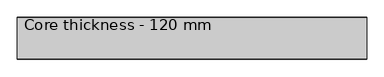
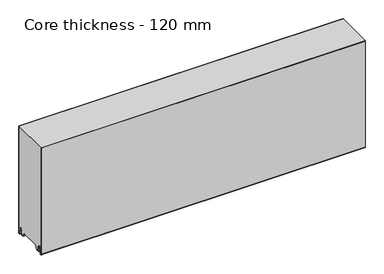
"""IFC4 building model written with IfcOpenShell, lengths in millimetres: plate geometry, Core thickness - 120 mm."""

from ifc_helpers import new_model, si_unit, frame, origin, place, context, project, spatial, polyline, circle_curve, source, transform, mapped, element, save
from ifc_brep_helpers import plane_surface, cylinder_surface, revolved_surface, advanced_brep


def core_thickness_120_mm_b401fb1e(model_context):
    return source(origin(), model_context, "Body", "AdvancedBrep", [
        advanced_brep(
        [(500.0000002, -119.9996949, 3.0900682), (500.0000002, -113.81449, 2.7875612), (500.0000002, -112.197116, 19.2828169), (500.0000002, -109.1776715, 21.9898782), (500.0000002, -106.1582271, 19.2828169), (500.0000002, -104.7725998, 5.1510966), (500.0000002, -100.3830995, 5.365779), (500.0000002, -101.1830995, 5.365779), (500.0000002, -103.9764178, 5.2291629), (500.0000002, -105.3620451, 19.3608832), (500.0000002, -109.1776715, 22.7899182), (500.0000002, -112.9932979, 19.3608832), (500.0000002, -114.6106719, 2.8656275), (500.0000002, -119.1996949, 3.0900682), (500.0000002, -119.2, 350.0), (500.0000002, -119.9996949, 350.0), (-500.0000002, -119.1996949, 3.0900682), (-500.0000002, -114.6106719, 2.8656275), (-500.0000002, -112.9932979, 19.3608832), (-500.0000002, -109.1776715, 22.7899182), (-500.0000002, -105.3620451, 19.3608832), (-500.0000002, -103.9764178, 5.2291629), (-500.0000002, -101.1830995, 5.365779), (-500.0000002, -100.3830995, 5.365779), (-500.0000002, -104.7725998, 5.1510966), (-500.0000002, -106.1582271, 19.2828169), (-500.0000002, -109.1776715, 21.9898782), (-500.0000002, -112.197116, 19.2828169), (-500.0000002, -113.81449, 2.7875612), (-500.0000002, -119.9996949, 3.0900682), (-500.0000002, -119.9996949, 350.0), (-500.0000002, -119.2, 350.0)],
        [
            (0, 1, circle_curve(frame((500.0000002, -116.8996949, 3.0900682), z_axis=(1.0, 0.0, 0.0), x_axis=(0.0, 0.0, -1.0)), 3.1)),
            (1, 2),
            (2, 3, circle_curve(frame((500.0000002, -109.2114338, 18.9900682), z_axis=(-1.0, 0.0, 0.0), x_axis=(0.0, 0.0, -1.0)), 3.0)),
            (3, 4, circle_curve(frame((500.0000002, -109.1439093, 18.9900682), z_axis=(-1.0, 0.0, 0.0), x_axis=(0.0, 0.0, -1.0)), 3.0)),
            (4, 5),
            (5, 6, circle_curve(frame((500.0000002, -102.5830995, 5.365779), z_axis=(1.0, 0.0, 0.0), x_axis=(0.0, 0.0, -1.0)), 2.2)),
            (6, 7),
            (7, 8, circle_curve(frame((500.0000002, -102.5830995, 5.365779), z_axis=(-1.0, 0.0, 0.0), x_axis=(0.0, 0.0, -1.0)), 1.4)),
            (8, 9),
            (9, 10, circle_curve(frame((500.0000002, -109.1439093, 18.9900682), z_axis=(1.0, 0.0, 0.0), x_axis=(0.0, 0.0, -1.0)), 3.8)),
            (10, 11, circle_curve(frame((500.0000002, -109.2114338, 18.9900682), z_axis=(1.0, 0.0, 0.0), x_axis=(0.0, 0.0, -1.0)), 3.8)),
            (11, 12),
            (12, 13, circle_curve(frame((500.0000002, -116.8996949, 3.0900682), z_axis=(-1.0, 0.0, 0.0), x_axis=(0.0, 0.0, -1.0)), 2.3)),
            (13, 14),
            (14, 15),
            (15, 0),
            (16, 17, circle_curve(frame((-500.0000002, -116.8996949, 3.0900682), z_axis=(1.0, 0.0, 0.0), x_axis=(0.0, 0.0, -1.0)), 2.3)),
            (17, 18),
            (18, 19, circle_curve(frame((-500.0000002, -109.2114338, 18.9900682), z_axis=(-1.0, 0.0, 0.0), x_axis=(0.0, 0.0, -1.0)), 3.8)),
            (19, 20, circle_curve(frame((-500.0000002, -109.1439093, 18.9900682), z_axis=(-1.0, 0.0, 0.0), x_axis=(0.0, 0.0, -1.0)), 3.8)),
            (20, 21),
            (21, 22, circle_curve(frame((-500.0000002, -102.5830995, 5.365779), z_axis=(1.0, 0.0, 0.0), x_axis=(0.0, 0.0, -1.0)), 1.4)),
            (22, 23),
            (23, 24, circle_curve(frame((-500.0000002, -102.5830995, 5.365779), z_axis=(-1.0, 0.0, 0.0), x_axis=(0.0, 0.0, -1.0)), 2.2)),
            (24, 25),
            (25, 26, circle_curve(frame((-500.0000002, -109.1439093, 18.9900682), z_axis=(1.0, 0.0, 0.0), x_axis=(0.0, 0.0, -1.0)), 3.0)),
            (26, 27, circle_curve(frame((-500.0000002, -109.2114338, 18.9900682), z_axis=(1.0, 0.0, 0.0), x_axis=(0.0, 0.0, -1.0)), 3.0)),
            (27, 28),
            (28, 29, circle_curve(frame((-500.0000002, -116.8996949, 3.0900682), z_axis=(-1.0, 0.0, 0.0), x_axis=(0.0, 0.0, -1.0)), 3.1)),
            (29, 30),
            (30, 31),
            (31, 16),
            (13, 16),
            (31, 14),
            (29, 0),
            (15, 30),
            (12, 17),
            (11, 18),
            (10, 19),
            (9, 20),
            (8, 21),
            (7, 22),
            (6, 23),
            (5, 24),
            (4, 25),
            (3, 26),
            (2, 27),
            (1, 28),
        ],
        [
            plane_surface(frame((500.0000002, -120.0, 0.0), z_axis=(1.0, 0.0, 0.0), x_axis=(0.0, 1.0, 0.0))),
            plane_surface(frame((-500.0000002, -120.0, 0.0), z_axis=(-1.0, 0.0, 0.0), x_axis=(0.0, 1.0, 0.0))),
            plane_surface(frame((500.0000002, -119.2, 3.0900682), z_axis=(0.0, 1.0, 0.0), x_axis=(-1.0, 0.0, 0.0))),
            plane_surface(frame((500.0000002, -119.9996949, 1143.9000005), z_axis=(0.0, -1.0, 0.0), x_axis=(-1.0, 0.0, 0.0))),
            revolved_surface(polyline([(-500.0000002, -116.8996949, 0.7900682000000003), (500.0000002, -116.8996949, 0.7900682000000003)]), (500.0000002, -116.8996949, 3.0900682), (-1.0, 0.0, 0.0)),
            plane_surface(frame((500.0000002, -112.9932979, 19.3608832), z_axis=(0.0, -0.9952273999818314, 0.09758289975914787), x_axis=(-1.0, 0.0, 0.0))),
            cylinder_surface(frame((500.0000002, -109.2114338, 18.9900682), z_axis=(1.0, 0.0, 0.0), x_axis=(0.0, 0.0, -1.0)), 3.8),
            cylinder_surface(frame((500.0000002, -109.1439093, 18.9900682), z_axis=(1.0, 0.0, 0.0), x_axis=(0.0, 0.0, -1.0)), 3.8),
            plane_surface(frame((500.0000002, -103.9764178, 5.2291629), z_axis=(0.0, 0.9952273999818297, 0.09758289975916531), x_axis=(-1.0, 0.0, 0.0))),
            revolved_surface(polyline([(-500.0000002, -102.5830995, 3.965779), (500.0000002, -102.5830995, 3.965779)]), (500.0000002, -102.5830995, 5.365779), (-1.0, 0.0, 0.0)),
            plane_surface(frame((500.0000002, -100.3830995, 5.365779), z_axis=(0.0, 0.0, 1.0), x_axis=(-1.0, 0.0, 0.0))),
            cylinder_surface(frame((500.0000002, -102.5830995, 5.365779), z_axis=(1.0, 0.0, 0.0), x_axis=(0.0, 0.0, -1.0)), 2.2),
            plane_surface(frame((500.0000002, -106.1582271, 19.2828169), z_axis=(0.0, -0.9952273999818296, -0.09758289975916527), x_axis=(-1.0, 0.0, 0.0))),
            revolved_surface(polyline([(-500.0000002, -109.1439093, 15.9900682), (500.0000002, -109.1439093, 15.9900682)]), (500.0000002, -109.1439093, 18.9900682), (-1.0, 0.0, 0.0)),
            revolved_surface(polyline([(-500.0000002, -109.2114338, 15.9900682), (500.0000002, -109.2114338, 15.9900682)]), (500.0000002, -109.2114338, 18.9900682), (-1.0, 0.0, 0.0)),
            plane_surface(frame((500.0000002, -113.81449, 2.7875612), z_axis=(0.0, 0.9952273999818314, -0.09758289975914787), x_axis=(-1.0, 0.0, 0.0))),
            cylinder_surface(frame((500.0000002, -116.8996949, 3.0900682), z_axis=(1.0, 0.0, 0.0), x_axis=(0.0, 0.0, -1.0)), 3.1),
            plane_surface(frame((-500.0000002, 134.0533409, 350.0), z_axis=(0.0, 0.0, 1.0), x_axis=(1.0, 0.0, 0.0))),
        ],
        [
            (0, [[1, 2, 3, 4, 5, 6, 7, 8, 9, 10, 11, 12, 13, 14, 15, 16]]),
            (1, [[17, 18, 19, 20, 21, 22, 23, 24, 25, 26, 27, 28, 29, 30, 31, 32]]),
            (2, [[33, -32, 34, -14]]),
            (3, [[35, -16, 36, -30]]),
            (4, [[-13, 37, -17, -33]]),
            (5, [[-12, 38, -18, -37]]),
            (6, [[-11, 39, -19, -38]]),
            (7, [[-10, 40, -20, -39]]),
            (8, [[-9, 41, -21, -40]]),
            (9, [[-8, 42, -22, -41]]),
            (10, [[-7, 43, -23, -42]]),
            (11, [[-6, 44, -24, -43]]),
            (12, [[-5, 45, -25, -44]]),
            (13, [[-4, 46, -26, -45]]),
            (14, [[-3, 47, -27, -46]]),
            (15, [[-2, 48, -28, -47]]),
            (16, [[-1, -35, -29, -48]]),
            (17, [[-15, -34, -31, -36]]),
        ],
    ),
        advanced_brep(
        [(500.0000002, -89.873448, 15.1417681), (500.0000002, -30.126552, 15.1417681), (500.0000002, -23.4071318, 3.165779), (500.0000002, -17.4169005, 3.165779), (500.0000002, -19.6169005, 5.365779), (500.0000002, -18.8169005, 5.365779), (500.0000002, -16.0235822, 5.2291629), (500.0000002, -14.6379549, 19.3608832), (500.0000002, -10.8223285, 22.7899182), (500.0000002, -7.0067021, 19.3608832), (500.0000002, -5.3893281, 2.8656275), (500.0000002, -1.0794848, 4.1883784), (500.0000002, -1.5003051, 5.8439114), (500.0000002, -1.5003051, 42.0511837), (500.0000002, -1.0971009, 43.4705951), (500.0000002, -0.8, 44.5229805), (500.0000002, -0.8, 94.6827637), (500.0000002, -1.0986697, 95.7341795), (500.0000002, -1.5003051, 97.1545605), (500.0000002, -1.5003051, 147.3143437), (500.0000002, -1.0971009, 148.7337551), (500.0000002, -0.8, 149.7861405), (500.0000002, -0.8, 199.9459237), (500.0000002, -1.0986697, 200.9973395), (500.0000002, -1.5003051, 202.4177205), (500.0000002, -1.5003051, 252.5775037), (500.0000002, -1.0971009, 253.9969151), (500.0000002, -0.8, 255.0493005), (500.0000002, -0.8, 305.2090837), (500.0000002, -1.0986697, 306.2604995), (500.0000002, -1.5003051, 307.6808805), (500.0000002, -1.5003051, 350.0), (500.0000002, -119.2, 350.0), (500.0000002, -119.2, 3.0900682), (500.0000002, -114.6106719, 2.8656275), (500.0000002, -112.9932979, 19.3608832), (500.0000002, -109.1776715, 22.7899182), (500.0000002, -105.3620451, 19.3608832), (500.0000002, -103.9764178, 5.2291629), (500.0000002, -101.1830995, 5.365779), (500.0000002, -100.3830995, 5.365779), (500.0000002, -102.5830995, 3.165779), (500.0000002, -96.5928682, 3.165779), (-500.0000002, -30.126552, 15.1417681), (-500.0000002, -89.873448, 15.1417681), (-500.0000002, -96.5928682, 3.165779), (-500.0000002, -102.5830995, 3.165779), (-500.0000002, -100.3830995, 5.365779), (-500.0000002, -101.1830995, 5.365779), (-500.0000002, -103.9764178, 5.2291629), (-500.0000002, -105.3620451, 19.3608832), (-500.0000002, -109.1776715, 22.7899182), (-500.0000002, -112.9932979, 19.3608832), (-500.0000002, -114.6106719, 2.8656275), (-500.0000002, -119.1996949, 3.0900682), (-500.0000002, -119.2, 350.0), (-500.0000002, -1.5003051, 350.0), (-500.0000002, -1.5003051, 307.6808805), (-500.0000002, -1.0971009, 306.2614691), (-500.0000002, -0.8, 305.2090837), (-500.0000002, -0.8, 255.0493005), (-500.0000002, -1.0986697, 253.9978846), (-500.0000002, -1.5003051, 252.5775037), (-500.0000002, -1.5003051, 202.4177205), (-500.0000002, -1.0971009, 200.9983091), (-500.0000002, -0.8, 199.9459237), (-500.0000002, -0.8, 149.7861405), (-500.0000002, -1.0986697, 148.7347246), (-500.0000002, -1.5003051, 147.3143437), (-500.0000002, -1.5003051, 97.1545605), (-500.0000002, -1.0971009, 95.7351491), (-500.0000002, -0.8, 94.6827637), (-500.0000002, -0.8, 44.5229805), (-500.0000002, -1.0986697, 43.4715646), (-500.0000002, -1.5003051, 42.0511837), (-500.0000002, -1.5003051, 5.8439114), (-500.0000002, -1.0794848, 4.1883784), (-500.0000002, -5.3893281, 2.8656275), (-500.0000002, -7.0067021, 19.3608832), (-500.0000002, -10.8223285, 22.7899182), (-500.0000002, -14.6379549, 19.3608832), (-500.0000002, -16.0235822, 5.2291629), (-500.0000002, -18.8169005, 5.365779), (-500.0000002, -19.6169005, 5.365779), (-500.0000002, -17.4169005, 3.165779), (-500.0000002, -23.4071318, 3.165779)],
        [
            (0, 1),
            (1, 2),
            (2, 3),
            (3, 4, circle_curve(frame((500.0000002, -17.4169005, 5.365779), z_axis=(-1.0, 0.0, 0.0), x_axis=(0.0, 0.0, -1.0)), 2.2)),
            (4, 5),
            (5, 6, circle_curve(frame((500.0000002, -17.4169005, 5.365779), z_axis=(1.0, 0.0, 0.0), x_axis=(0.0, 0.0, -1.0)), 1.4)),
            (6, 7),
            (7, 8, circle_curve(frame((500.0000002, -10.8560907, 18.9900682), z_axis=(-1.0, 0.0, 0.0), x_axis=(0.0, 0.0, -1.0)), 3.8)),
            (8, 9, circle_curve(frame((500.0000002, -10.7885662, 18.9900682), z_axis=(-1.0, 0.0, 0.0), x_axis=(0.0, 0.0, -1.0)), 3.8)),
            (9, 10),
            (10, 11, circle_curve(frame((500.0000002, -3.1003051, 3.0900682), z_axis=(1.0, 0.0, 0.0), x_axis=(0.0, 0.0, -1.0)), 2.3)),
            (11, 12, circle_curve(frame((500.0000002, 1.9665895, 5.8439114), z_axis=(-1.0, 0.0, 0.0), x_axis=(0.0, 0.0, -1.0)), 3.4668946)),
            (12, 13),
            (13, 14, circle_curve(frame((500.0000002, 1.1996949, 42.0511837), z_axis=(-1.0, 0.0, 0.0), x_axis=(0.0, 0.0, -1.0)), 2.7)),
            (14, 15, circle_curve(frame((500.0000002, -2.8, 44.5229805), z_axis=(1.0, 0.0, 0.0), x_axis=(0.0, 0.0, -1.0)), 2.0)),
            (15, 16),
            (16, 17, circle_curve(frame((500.0000002, -2.8, 94.6827637), z_axis=(1.0, 0.0, 0.0), x_axis=(0.0, 0.0, -1.0)), 2.0)),
            (17, 18, circle_curve(frame((500.0000002, 1.1996949, 97.1545605), z_axis=(-1.0, 0.0, 0.0), x_axis=(0.0, 0.0, -1.0)), 2.7)),
            (18, 19),
            (19, 20, circle_curve(frame((500.0000002, 1.1996949, 147.3143437), z_axis=(-1.0, 0.0, 0.0), x_axis=(0.0, 0.0, -1.0)), 2.7)),
            (20, 21, circle_curve(frame((500.0000002, -2.8, 149.7861405), z_axis=(1.0, 0.0, 0.0), x_axis=(0.0, 0.0, -1.0)), 2.0)),
            (21, 22),
            (22, 23, circle_curve(frame((500.0000002, -2.8, 199.9459237), z_axis=(1.0, 0.0, 0.0), x_axis=(0.0, 0.0, -1.0)), 2.0)),
            (23, 24, circle_curve(frame((500.0000002, 1.1996949, 202.4177205), z_axis=(-1.0, 0.0, 0.0), x_axis=(0.0, 0.0, -1.0)), 2.7)),
            (24, 25),
            (25, 26, circle_curve(frame((500.0000002, 1.1996949, 252.5775037), z_axis=(-1.0, 0.0, 0.0), x_axis=(0.0, 0.0, -1.0)), 2.7)),
            (26, 27, circle_curve(frame((500.0000002, -2.8, 255.0493005), z_axis=(1.0, 0.0, 0.0), x_axis=(0.0, 0.0, -1.0)), 2.0)),
            (27, 28),
            (28, 29, circle_curve(frame((500.0000002, -2.8, 305.2090837), z_axis=(1.0, 0.0, 0.0), x_axis=(0.0, 0.0, -1.0)), 2.0)),
            (29, 30, circle_curve(frame((500.0000002, 1.1996949, 307.6808805), z_axis=(-1.0, 0.0, 0.0), x_axis=(0.0, 0.0, -1.0)), 2.7)),
            (30, 31),
            (31, 32),
            (32, 33),
            (33, 34, circle_curve(frame((500.0000002, -116.8996949, 3.0900682), z_axis=(1.0, 0.0, 0.0), x_axis=(0.0, 0.0, -1.0)), 2.3)),
            (34, 35),
            (35, 36, circle_curve(frame((500.0000002, -109.2114338, 18.9900682), z_axis=(-1.0, 0.0, 0.0), x_axis=(0.0, 0.0, -1.0)), 3.8)),
            (36, 37, circle_curve(frame((500.0000002, -109.1439093, 18.9900682), z_axis=(-1.0, 0.0, 0.0), x_axis=(0.0, 0.0, -1.0)), 3.8)),
            (37, 38),
            (38, 39, circle_curve(frame((500.0000002, -102.5830995, 5.365779), z_axis=(1.0, 0.0, 0.0), x_axis=(0.0, 0.0, -1.0)), 1.4)),
            (39, 40),
            (40, 41, circle_curve(frame((500.0000002, -102.5830995, 5.365779), z_axis=(-1.0, 0.0, 0.0), x_axis=(0.0, 0.0, -1.0)), 2.2)),
            (41, 42),
            (42, 0),
            (43, 44),
            (44, 45),
            (45, 46),
            (46, 47, circle_curve(frame((-500.0000002, -102.5830995, 5.365779), z_axis=(1.0, 0.0, 0.0), x_axis=(0.0, 0.0, -1.0)), 2.2)),
            (47, 48),
            (48, 49, circle_curve(frame((-500.0000002, -102.5830995, 5.365779), z_axis=(-1.0, 0.0, 0.0), x_axis=(0.0, 0.0, -1.0)), 1.4)),
            (49, 50),
            (50, 51, circle_curve(frame((-500.0000002, -109.1439093, 18.9900682), z_axis=(1.0, 0.0, 0.0), x_axis=(0.0, 0.0, -1.0)), 3.8)),
            (51, 52, circle_curve(frame((-500.0000002, -109.2114338, 18.9900682), z_axis=(1.0, 0.0, 0.0), x_axis=(0.0, 0.0, -1.0)), 3.8)),
            (52, 53),
            (53, 54, circle_curve(frame((-500.0000002, -116.8996949, 3.0900682), z_axis=(-1.0, 0.0, 0.0), x_axis=(0.0, 0.0, -1.0)), 2.3)),
            (54, 55),
            (55, 56),
            (56, 57),
            (57, 58, circle_curve(frame((-500.0000002, 1.1996949, 307.6808805), z_axis=(1.0, 0.0, 0.0), x_axis=(0.0, 0.0, -1.0)), 2.7)),
            (58, 59, circle_curve(frame((-500.0000002, -2.8, 305.2090837), z_axis=(-1.0, 0.0, 0.0), x_axis=(0.0, 0.0, -1.0)), 2.0)),
            (59, 60),
            (60, 61, circle_curve(frame((-500.0000002, -2.8, 255.0493005), z_axis=(-1.0, 0.0, 0.0), x_axis=(0.0, 0.0, -1.0)), 2.0)),
            (61, 62, circle_curve(frame((-500.0000002, 1.1996949, 252.5775037), z_axis=(1.0, 0.0, 0.0), x_axis=(0.0, 0.0, -1.0)), 2.7)),
            (62, 63),
            (63, 64, circle_curve(frame((-500.0000002, 1.1996949, 202.4177205), z_axis=(1.0, 0.0, 0.0), x_axis=(0.0, 0.0, -1.0)), 2.7)),
            (64, 65, circle_curve(frame((-500.0000002, -2.8, 199.9459237), z_axis=(-1.0, 0.0, 0.0), x_axis=(0.0, 0.0, -1.0)), 2.0)),
            (65, 66),
            (66, 67, circle_curve(frame((-500.0000002, -2.8, 149.7861405), z_axis=(-1.0, 0.0, 0.0), x_axis=(0.0, 0.0, -1.0)), 2.0)),
            (67, 68, circle_curve(frame((-500.0000002, 1.1996949, 147.3143437), z_axis=(1.0, 0.0, 0.0), x_axis=(0.0, 0.0, -1.0)), 2.7)),
            (68, 69),
            (69, 70, circle_curve(frame((-500.0000002, 1.1996949, 97.1545605), z_axis=(1.0, 0.0, 0.0), x_axis=(0.0, 0.0, -1.0)), 2.7)),
            (70, 71, circle_curve(frame((-500.0000002, -2.8, 94.6827637), z_axis=(-1.0, 0.0, 0.0), x_axis=(0.0, 0.0, -1.0)), 2.0)),
            (71, 72),
            (72, 73, circle_curve(frame((-500.0000002, -2.8, 44.5229805), z_axis=(-1.0, 0.0, 0.0), x_axis=(0.0, 0.0, -1.0)), 2.0)),
            (73, 74, circle_curve(frame((-500.0000002, 1.1996949, 42.0511837), z_axis=(1.0, 0.0, 0.0), x_axis=(0.0, 0.0, -1.0)), 2.7)),
            (74, 75),
            (75, 76, circle_curve(frame((-500.0000002, 1.9665895, 5.8439114), z_axis=(1.0, 0.0, 0.0), x_axis=(0.0, 0.0, -1.0)), 3.4668946)),
            (76, 77, circle_curve(frame((-500.0000002, -3.1003051, 3.0900682), z_axis=(-1.0, 0.0, 0.0), x_axis=(0.0, 0.0, -1.0)), 2.3)),
            (77, 78),
            (78, 79, circle_curve(frame((-500.0000002, -10.7885662, 18.9900682), z_axis=(1.0, 0.0, 0.0), x_axis=(0.0, 0.0, -1.0)), 3.8)),
            (79, 80, circle_curve(frame((-500.0000002, -10.8560907, 18.9900682), z_axis=(1.0, 0.0, 0.0), x_axis=(0.0, 0.0, -1.0)), 3.8)),
            (80, 81),
            (81, 82, circle_curve(frame((-500.0000002, -17.4169005, 5.365779), z_axis=(-1.0, 0.0, 0.0), x_axis=(0.0, 0.0, -1.0)), 1.4)),
            (82, 83),
            (83, 84, circle_curve(frame((-500.0000002, -17.4169005, 5.365779), z_axis=(1.0, 0.0, 0.0), x_axis=(0.0, 0.0, -1.0)), 2.2)),
            (84, 85),
            (85, 43),
            (1, 43),
            (85, 2),
            (0, 44),
            (42, 45),
            (64, 23),
            (22, 65),
            (63, 24),
            (62, 25),
            (61, 26),
            (60, 27),
            (59, 28),
            (58, 29),
            (57, 30),
            (56, 31),
            (54, 33),
            (32, 55),
            (84, 3),
            (41, 46),
            (83, 4),
            (82, 5),
            (81, 6),
            (80, 7),
            (79, 8),
            (78, 9),
            (77, 10),
            (76, 11),
            (75, 12),
            (74, 13),
            (73, 14),
            (72, 15),
            (71, 16),
            (70, 17),
            (69, 18),
            (68, 19),
            (67, 20),
            (66, 21),
            (53, 34),
            (52, 35),
            (51, 36),
            (50, 37),
            (49, 38),
            (48, 39),
            (47, 40),
        ],
        [
            plane_surface(frame((500.0000002, 0.0, 0.0), z_axis=(1.0, 0.0, 0.0), x_axis=(0.0, -1.0, 0.0))),
            plane_surface(frame((-500.0000002, 0.0, 0.0), z_axis=(-1.0, 0.0, 0.0), x_axis=(0.0, -1.0, 0.0))),
            plane_surface(frame((500.0000002, -30.126552, 15.1417681), z_axis=(0.0, -0.8721062992196836, -0.4893164649399687), x_axis=(-1.0, 0.0, 0.0))),
            plane_surface(frame((500.0000002, -89.873448, 15.1417681), z_axis=(0.0, 0.0, -1.0), x_axis=(-1.0, 0.0, 0.0))),
            plane_surface(frame((500.0000002, -96.8190247, 2.7627014), z_axis=(0.0, 0.8721062992196832, -0.4893164649399697), x_axis=(-1.0, 0.0, 0.0))),
            cylinder_surface(frame((630.0000002, -2.8, 199.9459237), z_axis=(-1.0, 0.0, 0.0), x_axis=(0.0, 0.0, -1.0)), 2.0),
            revolved_surface(polyline([(500.0000002, 1.1996949, 199.7177205), (-500.00000020000004, 1.1996949, 199.7177205)]), (630.0000002, 1.1996949, 202.4177205), (1.0, 0.0, 0.0)),
            plane_surface(frame((630.0000002, -1.5003051, 252.5775037), z_axis=(0.0, 1.0, 0.0), x_axis=(-1.0, 0.0, 0.0))),
            revolved_surface(polyline([(500.0000002, 1.1996949, 249.8775037), (-500.00000020000004, 1.1996949, 249.8775037)]), (630.0000002, 1.1996949, 252.5775037), (1.0, 0.0, 0.0)),
            cylinder_surface(frame((630.0000002, -2.8, 255.0493005), z_axis=(-1.0, 0.0, 0.0), x_axis=(0.0, 0.0, -1.0)), 2.0),
            plane_surface(frame((630.0000002, -0.8, 305.2090837), z_axis=(0.0, 1.0, 0.0), x_axis=(-1.0, 0.0, 0.0))),
            cylinder_surface(frame((630.0000002, -2.8, 305.2090837), z_axis=(-1.0, 0.0, 0.0), x_axis=(0.0, 0.0, -1.0)), 2.0),
            revolved_surface(polyline([(500.0000002, 1.1996949, 304.9808805), (-500.00000020000004, 1.1996949, 304.9808805)]), (630.0000002, 1.1996949, 307.6808805), (1.0, 0.0, 0.0)),
            plane_surface(frame((630.0000002, -1.5003051, 357.8406637), z_axis=(0.0, 1.0, 0.0), x_axis=(-1.0, 0.0, 0.0))),
            plane_surface(frame((630.0000002, -119.2, 3.0900682), z_axis=(0.0, -1.0, 0.0), x_axis=(-1.0, 0.0, 0.0))),
            plane_surface(frame((-500.0000002, -102.5830995, 3.165779), z_axis=(0.0, 0.0, -1.0), x_axis=(1.0, 0.0, 0.0))),
            revolved_surface(polyline([(500.0000002, -17.4169005, 3.1657789999999997), (-500.00000020000004, -17.4169005, 3.1657789999999997)]), (630.0000002, -17.4169005, 5.365779), (1.0, 0.0, 0.0)),
            plane_surface(frame((630.0000002, -18.8169005, 5.365779), z_axis=(0.0, 0.0, -1.0), x_axis=(-1.0, 0.0, 0.0))),
            cylinder_surface(frame((630.0000002, -17.4169005, 5.365779), z_axis=(-1.0, 0.0, 0.0), x_axis=(0.0, 0.0, -1.0)), 1.4),
            plane_surface(frame((630.0000002, -14.6379549, 19.3608832), z_axis=(0.0, 0.9952273999818297, -0.09758289975916531), x_axis=(-1.0, 0.0, 0.0))),
            revolved_surface(polyline([(500.0000002, -10.8560907, 15.190068199999999), (-500.00000020000004, -10.8560907, 15.190068199999999)]), (630.0000002, -10.8560907, 18.9900682), (1.0, 0.0, 0.0)),
            revolved_surface(polyline([(500.0000002, -10.7885662, 15.190068199999999), (-500.00000020000004, -10.7885662, 15.190068199999999)]), (630.0000002, -10.7885662, 18.9900682), (1.0, 0.0, 0.0)),
            plane_surface(frame((630.0000002, -5.3893281, 2.8656275), z_axis=(0.0, -0.9952273999818314, -0.09758289975914787), x_axis=(-1.0, 0.0, 0.0))),
            cylinder_surface(frame((630.0000002, -3.1003051, 3.0900682), z_axis=(-1.0, 0.0, 0.0), x_axis=(0.0, 0.0, -1.0)), 2.3),
            revolved_surface(polyline([(500.0000002, 1.9665895, 2.3770168), (-500.00000020000004, 1.9665895, 2.3770168)]), (630.0000002, 1.9665895, 5.8439114), (1.0, 0.0, 0.0)),
            plane_surface(frame((630.0000002, -1.5003051, 42.0511837), z_axis=(0.0, 1.0, 0.0), x_axis=(-1.0, 0.0, 0.0))),
            revolved_surface(polyline([(500.0000002, 1.1996949, 39.3511837), (-500.00000020000004, 1.1996949, 39.3511837)]), (630.0000002, 1.1996949, 42.0511837), (1.0, 0.0, 0.0)),
            cylinder_surface(frame((630.0000002, -2.8, 44.5229805), z_axis=(-1.0, 0.0, 0.0), x_axis=(0.0, 0.0, -1.0)), 2.0),
            plane_surface(frame((630.0000002, -0.8, 94.6827637), z_axis=(0.0, 1.0, 0.0), x_axis=(-1.0, 0.0, 0.0))),
            cylinder_surface(frame((630.0000002, -2.8, 94.6827637), z_axis=(-1.0, 0.0, 0.0), x_axis=(0.0, 0.0, -1.0)), 2.0),
            revolved_surface(polyline([(500.0000002, 1.1996949, 94.4545605), (-500.00000020000004, 1.1996949, 94.4545605)]), (630.0000002, 1.1996949, 97.1545605), (1.0, 0.0, 0.0)),
            plane_surface(frame((630.0000002, -1.5003051, 147.3143437), z_axis=(0.0, 1.0, 0.0), x_axis=(-1.0, 0.0, 0.0))),
            revolved_surface(polyline([(500.0000002, 1.1996949, 144.6143437), (-500.00000020000004, 1.1996949, 144.6143437)]), (630.0000002, 1.1996949, 147.3143437), (1.0, 0.0, 0.0)),
            cylinder_surface(frame((630.0000002, -2.8, 149.7861405), z_axis=(-1.0, 0.0, 0.0), x_axis=(0.0, 0.0, -1.0)), 2.0),
            plane_surface(frame((630.0000002, -0.8, 199.9459237), z_axis=(0.0, 1.0, 0.0), x_axis=(-1.0, 0.0, 0.0))),
            cylinder_surface(frame((630.0000002, -116.8996949, 3.0900682), z_axis=(-1.0, 0.0, 0.0), x_axis=(0.0, 0.0, -1.0)), 2.3),
            plane_surface(frame((630.0000002, -112.9932979, 19.3608832), z_axis=(0.0, 0.9952273999818314, -0.09758289975914787), x_axis=(-1.0, 0.0, 0.0))),
            revolved_surface(polyline([(500.0000002, -109.2114338, 15.190068199999999), (-500.00000020000004, -109.2114338, 15.190068199999999)]), (630.0000002, -109.2114338, 18.9900682), (1.0, 0.0, 0.0)),
            revolved_surface(polyline([(500.0000002, -109.1439093, 15.190068199999999), (-500.00000020000004, -109.1439093, 15.190068199999999)]), (630.0000002, -109.1439093, 18.9900682), (1.0, 0.0, 0.0)),
            plane_surface(frame((630.0000002, -103.9764178, 5.2291629), z_axis=(0.0, -0.9952273999818297, -0.09758289975916531), x_axis=(-1.0, 0.0, 0.0))),
            cylinder_surface(frame((630.0000002, -102.5830995, 5.365779), z_axis=(-1.0, 0.0, 0.0), x_axis=(0.0, 0.0, -1.0)), 1.4),
            plane_surface(frame((630.0000002, -100.3830995, 5.365779), z_axis=(0.0, 0.0, -1.0), x_axis=(-1.0, 0.0, 0.0))),
            revolved_surface(polyline([(500.0000002, -102.5830995, 3.1657789999999997), (-500.00000020000004, -102.5830995, 3.1657789999999997)]), (630.0000002, -102.5830995, 5.365779), (1.0, 0.0, 0.0)),
            plane_surface(frame((-500.0000002, 134.0533409, 350.0), z_axis=(0.0, 0.0, 1.0), x_axis=(1.0, 0.0, 0.0))),
        ],
        [
            (0, [[1, 2, 3, 4, 5, 6, 7, 8, 9, 10, 11, 12, 13, 14, 15, 16, 17, 18, 19, 20, 21, 22, 23, 24, 25, 26, 27, 28, 29, 30, 31, 32, 33, 34, 35, 36, 37, 38, 39, 40, 41, 42, 43]]),
            (1, [[44, 45, 46, 47, 48, 49, 50, 51, 52, 53, 54, 55, 56, 57, 58, 59, 60, 61, 62, 63, 64, 65, 66, 67, 68, 69, 70, 71, 72, 73, 74, 75, 76, 77, 78, 79, 80, 81, 82, 83, 84, 85, 86]]),
            (2, [[87, -86, 88, -2]]),
            (3, [[-1, 89, -44, -87]]),
            (4, [[-89, -43, 90, -45]]),
            (5, [[91, -23, 92, -65]]),
            (6, [[-91, -64, 93, -24]]),
            (7, [[-93, -63, 94, -25]]),
            (8, [[-94, -62, 95, -26]]),
            (9, [[-95, -61, 96, -27]]),
            (10, [[-96, -60, 97, -28]]),
            (11, [[-97, -59, 98, -29]]),
            (12, [[-98, -58, 99, -30]]),
            (13, [[-99, -57, 100, -31]]),
            (14, [[101, -33, 102, -55]]),
            (15, [[-3, -88, -85, 103]]),
            (15, [[-42, 104, -46, -90]]),
            (16, [[105, -4, -103, -84]]),
            (17, [[-105, -83, 106, -5]]),
            (18, [[-106, -82, 107, -6]]),
            (19, [[-107, -81, 108, -7]]),
            (20, [[-108, -80, 109, -8]]),
            (21, [[-109, -79, 110, -9]]),
            (22, [[-110, -78, 111, -10]]),
            (23, [[-111, -77, 112, -11]]),
            (24, [[-112, -76, 113, -12]]),
            (25, [[-113, -75, 114, -13]]),
            (26, [[-114, -74, 115, -14]]),
            (27, [[-115, -73, 116, -15]]),
            (28, [[-116, -72, 117, -16]]),
            (29, [[-117, -71, 118, -17]]),
            (30, [[-118, -70, 119, -18]]),
            (31, [[-119, -69, 120, -19]]),
            (32, [[-120, -68, 121, -20]]),
            (33, [[-121, -67, 122, -21]]),
            (34, [[-122, -66, -92, -22]]),
            (35, [[-101, -54, 123, -34]]),
            (36, [[-123, -53, 124, -35]]),
            (37, [[-124, -52, 125, -36]]),
            (38, [[-125, -51, 126, -37]]),
            (39, [[-126, -50, 127, -38]]),
            (40, [[-127, -49, 128, -39]]),
            (41, [[-128, -48, 129, -40]]),
            (42, [[-129, -47, -104, -41]]),
            (43, [[-100, -56, -102, -32]]),
        ],
    ),
        advanced_brep(
        [(-500.0000002, -0.7003051, 307.6808805), (-500.0000002, -0.4016712, 306.6295226), (-500.0000002, -0.0003051, 305.2090837), (-500.0000002, -0.0003051, 255.0493005), (-500.0000002, -0.4034608, 253.6299674), (-500.0000002, -0.7003051, 252.5775037), (-500.0000002, -0.7003051, 202.4177205), (-500.0000002, -0.4016712, 201.3663626), (-500.0000002, -0.0003051, 199.9459237), (-500.0000002, -0.0003051, 149.7861405), (-500.0000002, -0.4034608, 148.3668074), (-500.0000002, -0.7003051, 147.3143437), (-500.0000002, -0.7003051, 97.1545605), (-500.0000002, -0.4016712, 96.1032026), (-500.0000002, -0.0003051, 94.6827637), (-500.0000002, -0.0003051, 44.5229805), (-500.0000002, -0.4034608, 43.1036474), (-500.0000002, -0.7003051, 42.0511837), (-500.0000002, -0.7003051, 6.8391397), (-500.0000002, -0.2091664, 4.208691), (-500.0000002, -6.18551, 2.7875612), (-500.0000002, -7.802884, 19.2828169), (-500.0000002, -10.8223285, 21.9898782), (-500.0000002, -13.8417729, 19.2828169), (-500.0000002, -15.2274002, 5.1510966), (-500.0000002, -19.6169005, 5.365779), (-500.0000002, -18.8169005, 5.365779), (-500.0000002, -16.0235822, 5.2291629), (-500.0000002, -14.6379549, 19.3608832), (-500.0000002, -10.8223285, 22.7899182), (-500.0000002, -7.0067021, 19.3608832), (-500.0000002, -5.3893281, 2.8656275), (-500.0000002, -1.0794848, 4.1883784), (-500.0000002, -1.5003051, 5.8439114), (-500.0000002, -1.5003051, 42.0511837), (-500.0000002, -1.0971009, 43.4705951), (-500.0000002, -0.8, 44.5229805), (-500.0000002, -0.8, 94.6827637), (-500.0000002, -1.0986697, 95.7341795), (-500.0000002, -1.5003051, 97.1545605), (-500.0000002, -1.5003051, 147.3143437), (-500.0000002, -1.0971009, 148.7337551), (-500.0000002, -0.8, 149.7861405), (-500.0000002, -0.8, 199.9459237), (-500.0000002, -1.0986697, 200.9973395), (-500.0000002, -1.5003051, 202.4177205), (-500.0000002, -1.5003051, 252.5775037), (-500.0000002, -1.0971009, 253.9969151), (-500.0000002, -0.8, 255.0493005), (-500.0000002, -0.8, 305.2090837), (-500.0000002, -1.0986697, 306.2604995), (-500.0000002, -1.5003051, 307.6808805), (-500.0000002, -1.5003051, 350.0), (-500.0000002, -0.7003051, 350.0), (500.0000002, -1.5003051, 307.6808805), (500.0000002, -1.0971009, 306.2614691), (500.0000002, -0.8, 305.2090837), (500.0000002, -0.8, 255.0493005), (500.0000002, -1.0986697, 253.9978846), (500.0000002, -1.5003051, 252.5775037), (500.0000002, -1.5003051, 202.4177205), (500.0000002, -1.0971009, 200.9983091), (500.0000002, -0.8, 199.9459237), (500.0000002, -0.8, 149.7861405), (500.0000002, -1.0986697, 148.7347246), (500.0000002, -1.5003051, 147.3143437), (500.0000002, -1.5003051, 97.1545605), (500.0000002, -1.0971009, 95.7351491), (500.0000002, -0.8, 94.6827637), (500.0000002, -0.8, 44.5229805), (500.0000002, -1.0986697, 43.4715646), (500.0000002, -1.5003051, 42.0511837), (500.0000002, -1.5003051, 5.8439114), (500.0000002, -1.0794848, 4.1883784), (500.0000002, -5.3893281, 2.8656275), (500.0000002, -7.0067021, 19.3608832), (500.0000002, -10.8223285, 22.7899182), (500.0000002, -14.6379549, 19.3608832), (500.0000002, -16.0235822, 5.2291629), (500.0000002, -18.8169005, 5.365779), (500.0000002, -19.6169005, 5.365779), (500.0000002, -15.2274002, 5.1510966), (500.0000002, -13.8417729, 19.2828169), (500.0000002, -10.8223285, 21.9898782), (500.0000002, -7.802884, 19.2828169), (500.0000002, -6.18551, 2.7875612), (500.0000002, -0.2091664, 4.208691), (500.0000002, -0.7003051, 6.8391397), (500.0000002, -0.7003051, 42.0511837), (500.0000002, -0.4016712, 43.1025415), (500.0000002, -0.0003051, 44.5229805), (500.0000002, -0.0003051, 94.6827637), (500.0000002, -0.4034608, 96.1020968), (500.0000002, -0.7003051, 97.1545605), (500.0000002, -0.7003051, 147.3143437), (500.0000002, -0.4016712, 148.3657015), (500.0000002, -0.0003051, 149.7861405), (500.0000002, -0.0003051, 199.9459237), (500.0000002, -0.4034608, 201.3652568), (500.0000002, -0.7003051, 202.4177205), (500.0000002, -0.7003051, 252.5775037), (500.0000002, -0.4016712, 253.6288615), (500.0000002, -0.0003051, 255.0493005), (500.0000002, -0.0003051, 305.2090837), (500.0000002, -0.4034608, 306.6284168), (500.0000002, -0.7003051, 307.6808805), (500.0000002, -0.7003051, 350.0), (500.0000002, -1.5003051, 350.0)],
        [
            (0, 1, circle_curve(frame((-500.0000002, 1.2996949, 307.6808805), z_axis=(1.0, 0.0, 0.0), x_axis=(0.0, 0.0, -1.0)), 2.0)),
            (1, 2, circle_curve(frame((-500.0000002, -2.7003051, 305.2090837), z_axis=(-1.0, 0.0, 0.0), x_axis=(0.0, 0.0, -1.0)), 2.7)),
            (2, 3),
            (3, 4, circle_curve(frame((-500.0000002, -2.7003051, 255.0493005), z_axis=(-1.0, 0.0, 0.0), x_axis=(0.0, 0.0, -1.0)), 2.7)),
            (4, 5, circle_curve(frame((-500.0000002, 1.2996949, 252.5775037), z_axis=(1.0, 0.0, 0.0), x_axis=(0.0, 0.0, -1.0)), 2.0)),
            (5, 6),
            (6, 7, circle_curve(frame((-500.0000002, 1.2996949, 202.4177205), z_axis=(1.0, 0.0, 0.0), x_axis=(0.0, 0.0, -1.0)), 2.0)),
            (7, 8, circle_curve(frame((-500.0000002, -2.7003051, 199.9459237), z_axis=(-1.0, 0.0, 0.0), x_axis=(0.0, 0.0, -1.0)), 2.7)),
            (8, 9),
            (9, 10, circle_curve(frame((-500.0000002, -2.7003051, 149.7861405), z_axis=(-1.0, 0.0, 0.0), x_axis=(0.0, 0.0, -1.0)), 2.7)),
            (10, 11, circle_curve(frame((-500.0000002, 1.2996949, 147.3143437), z_axis=(1.0, 0.0, 0.0), x_axis=(0.0, 0.0, -1.0)), 2.0)),
            (11, 12),
            (12, 13, circle_curve(frame((-500.0000002, 1.2996949, 97.1545605), z_axis=(1.0, 0.0, 0.0), x_axis=(0.0, 0.0, -1.0)), 2.0)),
            (13, 14, circle_curve(frame((-500.0000002, -2.7003051, 94.6827637), z_axis=(-1.0, 0.0, 0.0), x_axis=(0.0, 0.0, -1.0)), 2.7)),
            (14, 15),
            (15, 16, circle_curve(frame((-500.0000002, -2.7003051, 44.5229805), z_axis=(-1.0, 0.0, 0.0), x_axis=(0.0, 0.0, -1.0)), 2.7)),
            (16, 17, circle_curve(frame((-500.0000002, 1.2996949, 42.0511837), z_axis=(1.0, 0.0, 0.0), x_axis=(0.0, 0.0, -1.0)), 2.0)),
            (17, 18),
            (18, 19, circle_curve(frame((-500.0000002, 6.5893647, 6.8391397), z_axis=(1.0, 0.0, 0.0), x_axis=(0.0, 0.0, -1.0)), 7.2896698)),
            (19, 20, circle_curve(frame((-500.0000002, -3.1003051, 3.0900682), z_axis=(-1.0, 0.0, 0.0), x_axis=(0.0, 0.0, -1.0)), 3.1)),
            (20, 21),
            (21, 22, circle_curve(frame((-500.0000002, -10.7885662, 18.9900682), z_axis=(1.0, 0.0, 0.0), x_axis=(0.0, 0.0, -1.0)), 3.0)),
            (22, 23, circle_curve(frame((-500.0000002, -10.8560907, 18.9900682), z_axis=(1.0, 0.0, 0.0), x_axis=(0.0, 0.0, -1.0)), 3.0)),
            (23, 24),
            (24, 25, circle_curve(frame((-500.0000002, -17.4169005, 5.365779), z_axis=(-1.0, 0.0, 0.0), x_axis=(0.0, 0.0, -1.0)), 2.2)),
            (25, 26),
            (26, 27, circle_curve(frame((-500.0000002, -17.4169005, 5.365779), z_axis=(1.0, 0.0, 0.0), x_axis=(0.0, 0.0, -1.0)), 1.4)),
            (27, 28),
            (28, 29, circle_curve(frame((-500.0000002, -10.8560907, 18.9900682), z_axis=(-1.0, 0.0, 0.0), x_axis=(0.0, 0.0, -1.0)), 3.8)),
            (29, 30, circle_curve(frame((-500.0000002, -10.7885662, 18.9900682), z_axis=(-1.0, 0.0, 0.0), x_axis=(0.0, 0.0, -1.0)), 3.8)),
            (30, 31),
            (31, 32, circle_curve(frame((-500.0000002, -3.1003051, 3.0900682), z_axis=(1.0, 0.0, 0.0), x_axis=(0.0, 0.0, -1.0)), 2.3)),
            (32, 33, circle_curve(frame((-500.0000002, 1.9665895, 5.8439114), z_axis=(-1.0, 0.0, 0.0), x_axis=(0.0, 0.0, -1.0)), 3.4668946)),
            (33, 34),
            (34, 35, circle_curve(frame((-500.0000002, 1.1996949, 42.0511837), z_axis=(-1.0, 0.0, 0.0), x_axis=(0.0, 0.0, -1.0)), 2.7)),
            (35, 36, circle_curve(frame((-500.0000002, -2.8, 44.5229805), z_axis=(1.0, 0.0, 0.0), x_axis=(0.0, 0.0, -1.0)), 2.0)),
            (36, 37),
            (37, 38, circle_curve(frame((-500.0000002, -2.8, 94.6827637), z_axis=(1.0, 0.0, 0.0), x_axis=(0.0, 0.0, -1.0)), 2.0)),
            (38, 39, circle_curve(frame((-500.0000002, 1.1996949, 97.1545605), z_axis=(-1.0, 0.0, 0.0), x_axis=(0.0, 0.0, -1.0)), 2.7)),
            (39, 40),
            (40, 41, circle_curve(frame((-500.0000002, 1.1996949, 147.3143437), z_axis=(-1.0, 0.0, 0.0), x_axis=(0.0, 0.0, -1.0)), 2.7)),
            (41, 42, circle_curve(frame((-500.0000002, -2.8, 149.7861405), z_axis=(1.0, 0.0, 0.0), x_axis=(0.0, 0.0, -1.0)), 2.0)),
            (42, 43),
            (43, 44, circle_curve(frame((-500.0000002, -2.8, 199.9459237), z_axis=(1.0, 0.0, 0.0), x_axis=(0.0, 0.0, -1.0)), 2.0)),
            (44, 45, circle_curve(frame((-500.0000002, 1.1996949, 202.4177205), z_axis=(-1.0, 0.0, 0.0), x_axis=(0.0, 0.0, -1.0)), 2.7)),
            (45, 46),
            (46, 47, circle_curve(frame((-500.0000002, 1.1996949, 252.5775037), z_axis=(-1.0, 0.0, 0.0), x_axis=(0.0, 0.0, -1.0)), 2.7)),
            (47, 48, circle_curve(frame((-500.0000002, -2.8, 255.0493005), z_axis=(1.0, 0.0, 0.0), x_axis=(0.0, 0.0, -1.0)), 2.0)),
            (48, 49),
            (49, 50, circle_curve(frame((-500.0000002, -2.8, 305.2090837), z_axis=(1.0, 0.0, 0.0), x_axis=(0.0, 0.0, -1.0)), 2.0)),
            (50, 51, circle_curve(frame((-500.0000002, 1.1996949, 307.6808805), z_axis=(-1.0, 0.0, 0.0), x_axis=(0.0, 0.0, -1.0)), 2.7)),
            (51, 52),
            (52, 53),
            (53, 0),
            (54, 55, circle_curve(frame((500.0000002, 1.1996949, 307.6808805), z_axis=(1.0, 0.0, 0.0), x_axis=(0.0, 0.0, -1.0)), 2.7)),
            (55, 56, circle_curve(frame((500.0000002, -2.8, 305.2090837), z_axis=(-1.0, 0.0, 0.0), x_axis=(0.0, 0.0, -1.0)), 2.0)),
            (56, 57),
            (57, 58, circle_curve(frame((500.0000002, -2.8, 255.0493005), z_axis=(-1.0, 0.0, 0.0), x_axis=(0.0, 0.0, -1.0)), 2.0)),
            (58, 59, circle_curve(frame((500.0000002, 1.1996949, 252.5775037), z_axis=(1.0, 0.0, 0.0), x_axis=(0.0, 0.0, -1.0)), 2.7)),
            (59, 60),
            (60, 61, circle_curve(frame((500.0000002, 1.1996949, 202.4177205), z_axis=(1.0, 0.0, 0.0), x_axis=(0.0, 0.0, -1.0)), 2.7)),
            (61, 62, circle_curve(frame((500.0000002, -2.8, 199.9459237), z_axis=(-1.0, 0.0, 0.0), x_axis=(0.0, 0.0, -1.0)), 2.0)),
            (62, 63),
            (63, 64, circle_curve(frame((500.0000002, -2.8, 149.7861405), z_axis=(-1.0, 0.0, 0.0), x_axis=(0.0, 0.0, -1.0)), 2.0)),
            (64, 65, circle_curve(frame((500.0000002, 1.1996949, 147.3143437), z_axis=(1.0, 0.0, 0.0), x_axis=(0.0, 0.0, -1.0)), 2.7)),
            (65, 66),
            (66, 67, circle_curve(frame((500.0000002, 1.1996949, 97.1545605), z_axis=(1.0, 0.0, 0.0), x_axis=(0.0, 0.0, -1.0)), 2.7)),
            (67, 68, circle_curve(frame((500.0000002, -2.8, 94.6827637), z_axis=(-1.0, 0.0, 0.0), x_axis=(0.0, 0.0, -1.0)), 2.0)),
            (68, 69),
            (69, 70, circle_curve(frame((500.0000002, -2.8, 44.5229805), z_axis=(-1.0, 0.0, 0.0), x_axis=(0.0, 0.0, -1.0)), 2.0)),
            (70, 71, circle_curve(frame((500.0000002, 1.1996949, 42.0511837), z_axis=(1.0, 0.0, 0.0), x_axis=(0.0, 0.0, -1.0)), 2.7)),
            (71, 72),
            (72, 73, circle_curve(frame((500.0000002, 1.9665895, 5.8439114), z_axis=(1.0, 0.0, 0.0), x_axis=(0.0, 0.0, -1.0)), 3.4668946)),
            (73, 74, circle_curve(frame((500.0000002, -3.1003051, 3.0900682), z_axis=(-1.0, 0.0, 0.0), x_axis=(0.0, 0.0, -1.0)), 2.3)),
            (74, 75),
            (75, 76, circle_curve(frame((500.0000002, -10.7885662, 18.9900682), z_axis=(1.0, 0.0, 0.0), x_axis=(0.0, 0.0, -1.0)), 3.8)),
            (76, 77, circle_curve(frame((500.0000002, -10.8560907, 18.9900682), z_axis=(1.0, 0.0, 0.0), x_axis=(0.0, 0.0, -1.0)), 3.8)),
            (77, 78),
            (78, 79, circle_curve(frame((500.0000002, -17.4169005, 5.365779), z_axis=(-1.0, 0.0, 0.0), x_axis=(0.0, 0.0, -1.0)), 1.4)),
            (79, 80),
            (80, 81, circle_curve(frame((500.0000002, -17.4169005, 5.365779), z_axis=(1.0, 0.0, 0.0), x_axis=(0.0, 0.0, -1.0)), 2.2)),
            (81, 82),
            (82, 83, circle_curve(frame((500.0000002, -10.8560907, 18.9900682), z_axis=(-1.0, 0.0, 0.0), x_axis=(0.0, 0.0, -1.0)), 3.0)),
            (83, 84, circle_curve(frame((500.0000002, -10.7885662, 18.9900682), z_axis=(-1.0, 0.0, 0.0), x_axis=(0.0, 0.0, -1.0)), 3.0)),
            (84, 85),
            (85, 86, circle_curve(frame((500.0000002, -3.1003051, 3.0900682), z_axis=(1.0, 0.0, 0.0), x_axis=(0.0, 0.0, -1.0)), 3.1)),
            (86, 87, circle_curve(frame((500.0000002, 6.5893647, 6.8391397), z_axis=(-1.0, 0.0, 0.0), x_axis=(0.0, 0.0, -1.0)), 7.2896698)),
            (87, 88),
            (88, 89, circle_curve(frame((500.0000002, 1.2996949, 42.0511837), z_axis=(-1.0, 0.0, 0.0), x_axis=(0.0, 0.0, -1.0)), 2.0)),
            (89, 90, circle_curve(frame((500.0000002, -2.7003051, 44.5229805), z_axis=(1.0, 0.0, 0.0), x_axis=(0.0, 0.0, -1.0)), 2.7)),
            (90, 91),
            (91, 92, circle_curve(frame((500.0000002, -2.7003051, 94.6827637), z_axis=(1.0, 0.0, 0.0), x_axis=(0.0, 0.0, -1.0)), 2.7)),
            (92, 93, circle_curve(frame((500.0000002, 1.2996949, 97.1545605), z_axis=(-1.0, 0.0, 0.0), x_axis=(0.0, 0.0, -1.0)), 2.0)),
            (93, 94),
            (94, 95, circle_curve(frame((500.0000002, 1.2996949, 147.3143437), z_axis=(-1.0, 0.0, 0.0), x_axis=(0.0, 0.0, -1.0)), 2.0)),
            (95, 96, circle_curve(frame((500.0000002, -2.7003051, 149.7861405), z_axis=(1.0, 0.0, 0.0), x_axis=(0.0, 0.0, -1.0)), 2.7)),
            (96, 97),
            (97, 98, circle_curve(frame((500.0000002, -2.7003051, 199.9459237), z_axis=(1.0, 0.0, 0.0), x_axis=(0.0, 0.0, -1.0)), 2.7)),
            (98, 99, circle_curve(frame((500.0000002, 1.2996949, 202.4177205), z_axis=(-1.0, 0.0, 0.0), x_axis=(0.0, 0.0, -1.0)), 2.0)),
            (99, 100),
            (100, 101, circle_curve(frame((500.0000002, 1.2996949, 252.5775037), z_axis=(-1.0, 0.0, 0.0), x_axis=(0.0, 0.0, -1.0)), 2.0)),
            (101, 102, circle_curve(frame((500.0000002, -2.7003051, 255.0493005), z_axis=(1.0, 0.0, 0.0), x_axis=(0.0, 0.0, -1.0)), 2.7)),
            (102, 103),
            (103, 104, circle_curve(frame((500.0000002, -2.7003051, 305.2090837), z_axis=(1.0, 0.0, 0.0), x_axis=(0.0, 0.0, -1.0)), 2.7)),
            (104, 105, circle_curve(frame((500.0000002, 1.2996949, 307.6808805), z_axis=(-1.0, 0.0, 0.0), x_axis=(0.0, 0.0, -1.0)), 2.0)),
            (105, 106),
            (106, 107),
            (107, 54),
            (51, 54),
            (107, 52),
            (50, 55),
            (49, 56),
            (48, 57),
            (47, 58),
            (46, 59),
            (45, 60),
            (44, 61),
            (43, 62),
            (31, 74),
            (73, 32),
            (30, 75),
            (29, 76),
            (28, 77),
            (27, 78),
            (26, 79),
            (25, 80),
            (24, 81),
            (23, 82),
            (22, 83),
            (21, 84),
            (20, 85),
            (19, 86),
            (7, 98),
            (97, 8),
            (6, 99),
            (5, 100),
            (4, 101),
            (3, 102),
            (2, 103),
            (1, 104),
            (0, 105),
            (53, 106),
            (42, 63),
            (41, 64),
            (40, 65),
            (39, 66),
            (38, 67),
            (37, 68),
            (36, 69),
            (35, 70),
            (34, 71),
            (33, 72),
            (18, 87),
            (17, 88),
            (16, 89),
            (15, 90),
            (14, 91),
            (13, 92),
            (12, 93),
            (11, 94),
            (10, 95),
            (9, 96),
        ],
        [
            plane_surface(frame((-500.0000002, 0.0, 0.0), z_axis=(-1.0, 0.0, 0.0), x_axis=(0.0, -1.0, 0.0))),
            plane_surface(frame((500.0000002, 0.0, 0.0), z_axis=(1.0, 0.0, 0.0), x_axis=(0.0, -1.0, 0.0))),
            plane_surface(frame((-500.0000002, -1.5003051, 307.6808805), z_axis=(0.0, -1.0, 0.0), x_axis=(1.0, 0.0, 0.0))),
            cylinder_surface(frame((-500.0000002, 1.1996949, 307.6808805), z_axis=(-1.0, 0.0, 0.0), x_axis=(0.0, 0.0, -1.0)), 2.7),
            revolved_surface(polyline([(500.0000002, -2.8, 303.2090837), (-500.0000002, -2.8, 303.2090837)]), (-500.0000002, -2.8, 305.2090837), (1.0, 0.0, 0.0)),
            plane_surface(frame((-500.0000002, -0.8, 255.0493005), z_axis=(0.0, -1.0, 0.0), x_axis=(1.0, 0.0, 0.0))),
            revolved_surface(polyline([(500.0000002, -2.8, 253.0493005), (-500.0000002, -2.8, 253.0493005)]), (-500.0000002, -2.8, 255.0493005), (1.0, 0.0, 0.0)),
            cylinder_surface(frame((-500.0000002, 1.1996949, 252.5775037), z_axis=(-1.0, 0.0, 0.0), x_axis=(0.0, 0.0, -1.0)), 2.7),
            plane_surface(frame((-500.0000002, -1.5003051, 202.4177205), z_axis=(0.0, -1.0, 0.0), x_axis=(1.0, 0.0, 0.0))),
            cylinder_surface(frame((-500.0000002, 1.1996949, 202.4177205), z_axis=(-1.0, 0.0, 0.0), x_axis=(0.0, 0.0, -1.0)), 2.7),
            revolved_surface(polyline([(500.0000002, -2.8, 197.9459237), (-500.0000002, -2.8, 197.9459237)]), (-500.0000002, -2.8, 199.9459237), (1.0, 0.0, 0.0)),
            revolved_surface(polyline([(500.0000002, -3.1003051, 0.7900682000000003), (-500.0000002, -3.1003051, 0.7900682000000003)]), (-500.0000002, -3.1003051, 3.0900682), (1.0, 0.0, 0.0)),
            plane_surface(frame((-500.0000002, -7.0067021, 19.3608832), z_axis=(0.0, 0.9952273999818314, 0.09758289975914787), x_axis=(1.0, 0.0, 0.0))),
            cylinder_surface(frame((-500.0000002, -10.7885662, 18.9900682), z_axis=(-1.0, 0.0, 0.0), x_axis=(0.0, 0.0, -1.0)), 3.8),
            cylinder_surface(frame((-500.0000002, -10.8560907, 18.9900682), z_axis=(-1.0, 0.0, 0.0), x_axis=(0.0, 0.0, -1.0)), 3.8),
            plane_surface(frame((-500.0000002, -16.0235822, 5.2291629), z_axis=(0.0, -0.9952273999818297, 0.09758289975916531), x_axis=(1.0, 0.0, 0.0))),
            revolved_surface(polyline([(500.0000002, -17.4169005, 3.965779), (-500.0000002, -17.4169005, 3.965779)]), (-500.0000002, -17.4169005, 5.365779), (1.0, 0.0, 0.0)),
            plane_surface(frame((-500.0000002, -19.6169005, 5.365779), z_axis=(0.0, 0.0, 1.0), x_axis=(1.0, 0.0, 0.0))),
            cylinder_surface(frame((-500.0000002, -17.4169005, 5.365779), z_axis=(-1.0, 0.0, 0.0), x_axis=(0.0, 0.0, -1.0)), 2.2),
            plane_surface(frame((-500.0000002, -13.8417729, 19.2828169), z_axis=(0.0, 0.9952273999818296, -0.09758289975916527), x_axis=(1.0, 0.0, 0.0))),
            revolved_surface(polyline([(500.0000002, -10.8560907, 15.9900682), (-500.0000002, -10.8560907, 15.9900682)]), (-500.0000002, -10.8560907, 18.9900682), (1.0, 0.0, 0.0)),
            revolved_surface(polyline([(500.0000002, -10.7885662, 15.9900682), (-500.0000002, -10.7885662, 15.9900682)]), (-500.0000002, -10.7885662, 18.9900682), (1.0, 0.0, 0.0)),
            plane_surface(frame((-500.0000002, -6.18551, 2.7875612), z_axis=(0.0, -0.9952273999818314, -0.09758289975914787), x_axis=(1.0, 0.0, 0.0))),
            cylinder_surface(frame((-500.0000002, -3.1003051, 3.0900682), z_axis=(-1.0, 0.0, 0.0), x_axis=(0.0, 0.0, -1.0)), 3.1),
            cylinder_surface(frame((-500.0000002, -2.7003051, 199.9459237), z_axis=(-1.0, 0.0, 0.0), x_axis=(0.0, 0.0, -1.0)), 2.7),
            revolved_surface(polyline([(500.0000002, 1.2996949, 200.4177205), (-500.0000002, 1.2996949, 200.4177205)]), (-500.0000002, 1.2996949, 202.4177205), (1.0, 0.0, 0.0)),
            plane_surface(frame((-500.0000002, -0.7003051, 252.5775037), z_axis=(0.0, 1.0, 0.0), x_axis=(1.0, 0.0, 0.0))),
            revolved_surface(polyline([(500.0000002, 1.2996949, 250.5775037), (-500.0000002, 1.2996949, 250.5775037)]), (-500.0000002, 1.2996949, 252.5775037), (1.0, 0.0, 0.0)),
            cylinder_surface(frame((-500.0000002, -2.7003051, 255.0493005), z_axis=(-1.0, 0.0, 0.0), x_axis=(0.0, 0.0, -1.0)), 2.7),
            plane_surface(frame((-500.0000002, -0.0003051, 305.2090837), z_axis=(0.0, 1.0, 0.0), x_axis=(1.0, 0.0, 0.0))),
            cylinder_surface(frame((-500.0000002, -2.7003051, 305.2090837), z_axis=(-1.0, 0.0, 0.0), x_axis=(0.0, 0.0, -1.0)), 2.7),
            revolved_surface(polyline([(500.0000002, 1.2996949, 305.6808805), (-500.0000002, 1.2996949, 305.6808805)]), (-500.0000002, 1.2996949, 307.6808805), (1.0, 0.0, 0.0)),
            plane_surface(frame((-500.0000002, -0.7003051, 357.8406637), z_axis=(0.0, 1.0, 0.0), x_axis=(1.0, 0.0, 0.0))),
            plane_surface(frame((-500.0000002, -0.8, 149.7861405), z_axis=(0.0, -1.0, 0.0), x_axis=(1.0, 0.0, 0.0))),
            revolved_surface(polyline([(500.0000002, -2.8, 147.7861405), (-500.0000002, -2.8, 147.7861405)]), (-500.0000002, -2.8, 149.7861405), (1.0, 0.0, 0.0)),
            cylinder_surface(frame((-500.0000002, 1.1996949, 147.3143437), z_axis=(-1.0, 0.0, 0.0), x_axis=(0.0, 0.0, -1.0)), 2.7),
            plane_surface(frame((-500.0000002, -1.5003051, 97.1545605), z_axis=(0.0, -1.0, 0.0), x_axis=(1.0, 0.0, 0.0))),
            cylinder_surface(frame((-500.0000002, 1.1996949, 97.1545605), z_axis=(-1.0, 0.0, 0.0), x_axis=(0.0, 0.0, -1.0)), 2.7),
            revolved_surface(polyline([(500.0000002, -2.8, 92.6827637), (-500.0000002, -2.8, 92.6827637)]), (-500.0000002, -2.8, 94.6827637), (1.0, 0.0, 0.0)),
            plane_surface(frame((-500.0000002, -0.8, 44.5229805), z_axis=(0.0, -1.0, 0.0), x_axis=(1.0, 0.0, 0.0))),
            revolved_surface(polyline([(500.0000002, -2.8, 42.5229805), (-500.0000002, -2.8, 42.5229805)]), (-500.0000002, -2.8, 44.5229805), (1.0, 0.0, 0.0)),
            cylinder_surface(frame((-500.0000002, 1.1996949, 42.0511837), z_axis=(-1.0, 0.0, 0.0), x_axis=(0.0, 0.0, -1.0)), 2.7),
            plane_surface(frame((-500.0000002, -1.5003051, 5.8439114), z_axis=(0.0, -1.0, 0.0), x_axis=(1.0, 0.0, 0.0))),
            cylinder_surface(frame((-500.0000002, 1.9665895, 5.8439114), z_axis=(-1.0, 0.0, 0.0), x_axis=(0.0, 0.0, -1.0)), 3.4668946),
            revolved_surface(polyline([(500.0000002, 6.5893647, -0.4505301000000008), (-500.0000002, 6.5893647, -0.4505301000000008)]), (-500.0000002, 6.5893647, 6.8391397), (1.0, 0.0, 0.0)),
            plane_surface(frame((-500.0000002, -0.7003051, 42.0511837), z_axis=(0.0, 1.0, 0.0), x_axis=(1.0, 0.0, 0.0))),
            revolved_surface(polyline([(500.0000002, 1.2996949, 40.0511837), (-500.0000002, 1.2996949, 40.0511837)]), (-500.0000002, 1.2996949, 42.0511837), (1.0, 0.0, 0.0)),
            cylinder_surface(frame((-500.0000002, -2.7003051, 44.5229805), z_axis=(-1.0, 0.0, 0.0), x_axis=(0.0, 0.0, -1.0)), 2.7),
            plane_surface(frame((-500.0000002, -0.0003051, 94.6827637), z_axis=(0.0, 1.0, 0.0), x_axis=(1.0, 0.0, 0.0))),
            cylinder_surface(frame((-500.0000002, -2.7003051, 94.6827637), z_axis=(-1.0, 0.0, 0.0), x_axis=(0.0, 0.0, -1.0)), 2.7),
            revolved_surface(polyline([(500.0000002, 1.2996949, 95.1545605), (-500.0000002, 1.2996949, 95.1545605)]), (-500.0000002, 1.2996949, 97.1545605), (1.0, 0.0, 0.0)),
            plane_surface(frame((-500.0000002, -0.7003051, 147.3143437), z_axis=(0.0, 1.0, 0.0), x_axis=(1.0, 0.0, 0.0))),
            revolved_surface(polyline([(500.0000002, 1.2996949, 145.3143437), (-500.0000002, 1.2996949, 145.3143437)]), (-500.0000002, 1.2996949, 147.3143437), (1.0, 0.0, 0.0)),
            cylinder_surface(frame((-500.0000002, -2.7003051, 149.7861405), z_axis=(-1.0, 0.0, 0.0), x_axis=(0.0, 0.0, -1.0)), 2.7),
            plane_surface(frame((-500.0000002, -0.0003051, 199.9459237), z_axis=(0.0, 1.0, 0.0), x_axis=(1.0, 0.0, 0.0))),
            plane_surface(frame((-500.0000002, 134.0533409, 350.0), z_axis=(0.0, 0.0, 1.0), x_axis=(1.0, 0.0, 0.0))),
        ],
        [
            (0, [[1, 2, 3, 4, 5, 6, 7, 8, 9, 10, 11, 12, 13, 14, 15, 16, 17, 18, 19, 20, 21, 22, 23, 24, 25, 26, 27, 28, 29, 30, 31, 32, 33, 34, 35, 36, 37, 38, 39, 40, 41, 42, 43, 44, 45, 46, 47, 48, 49, 50, 51, 52, 53, 54]]),
            (1, [[55, 56, 57, 58, 59, 60, 61, 62, 63, 64, 65, 66, 67, 68, 69, 70, 71, 72, 73, 74, 75, 76, 77, 78, 79, 80, 81, 82, 83, 84, 85, 86, 87, 88, 89, 90, 91, 92, 93, 94, 95, 96, 97, 98, 99, 100, 101, 102, 103, 104, 105, 106, 107, 108]]),
            (2, [[109, -108, 110, -52]]),
            (3, [[-51, 111, -55, -109]]),
            (4, [[-50, 112, -56, -111]]),
            (5, [[-49, 113, -57, -112]]),
            (6, [[-48, 114, -58, -113]]),
            (7, [[-47, 115, -59, -114]]),
            (8, [[-46, 116, -60, -115]]),
            (9, [[-45, 117, -61, -116]]),
            (10, [[-44, 118, -62, -117]]),
            (11, [[-32, 119, -74, 120]]),
            (12, [[-31, 121, -75, -119]]),
            (13, [[-30, 122, -76, -121]]),
            (14, [[-29, 123, -77, -122]]),
            (15, [[-28, 124, -78, -123]]),
            (16, [[-27, 125, -79, -124]]),
            (17, [[-26, 126, -80, -125]]),
            (18, [[-25, 127, -81, -126]]),
            (19, [[-24, 128, -82, -127]]),
            (20, [[-23, 129, -83, -128]]),
            (21, [[-22, 130, -84, -129]]),
            (22, [[-21, 131, -85, -130]]),
            (23, [[-20, 132, -86, -131]]),
            (24, [[-8, 133, -98, 134]]),
            (25, [[-7, 135, -99, -133]]),
            (26, [[-6, 136, -100, -135]]),
            (27, [[-5, 137, -101, -136]]),
            (28, [[-4, 138, -102, -137]]),
            (29, [[-3, 139, -103, -138]]),
            (30, [[-2, 140, -104, -139]]),
            (31, [[-1, 141, -105, -140]]),
            (32, [[-141, -54, 142, -106]]),
            (33, [[-43, 143, -63, -118]]),
            (34, [[-42, 144, -64, -143]]),
            (35, [[-41, 145, -65, -144]]),
            (36, [[-40, 146, -66, -145]]),
            (37, [[-39, 147, -67, -146]]),
            (38, [[-38, 148, -68, -147]]),
            (39, [[-37, 149, -69, -148]]),
            (40, [[-36, 150, -70, -149]]),
            (41, [[-35, 151, -71, -150]]),
            (42, [[-34, 152, -72, -151]]),
            (43, [[-33, -120, -73, -152]]),
            (44, [[-19, 153, -87, -132]]),
            (45, [[-18, 154, -88, -153]]),
            (46, [[-17, 155, -89, -154]]),
            (47, [[-16, 156, -90, -155]]),
            (48, [[-15, 157, -91, -156]]),
            (49, [[-14, 158, -92, -157]]),
            (50, [[-13, 159, -93, -158]]),
            (51, [[-12, 160, -94, -159]]),
            (52, [[-11, 161, -95, -160]]),
            (53, [[-10, 162, -96, -161]]),
            (54, [[-9, -134, -97, -162]]),
            (55, [[-53, -110, -107, -142]]),
        ],
    ),
    ])


if __name__ == "__main__":
    model = new_model("IFC4")
    model_context = context("Model", 3, world=origin())
    ifc_project = project(units=[si_unit("LENGTHUNIT", "METRE", prefix="MILLI")], contexts=[model_context])
    site = spatial("IfcSite", under=ifc_project)
    building = spatial("IfcBuilding", under=site)
    placement = place(None, origin())
    core_thickness_120_mm_shape = core_thickness_120_mm_b401fb1e(model_context)
    element("IfcPlate", 1, ObjectType="Core thickness - 120 mm", at=placement, inside=building, context=model_context, shape_type="MappedRepresentation", body=[
        mapped(core_thickness_120_mm_shape, transform((0.0, 0.0, 0.0), x_axis=(1.0, 0.0, 0.0), y_axis=(0.0, 1.0, 0.0), z_axis=(0.0, 0.0, 1.0))),
    ])
    save(model, "model.ifc")
